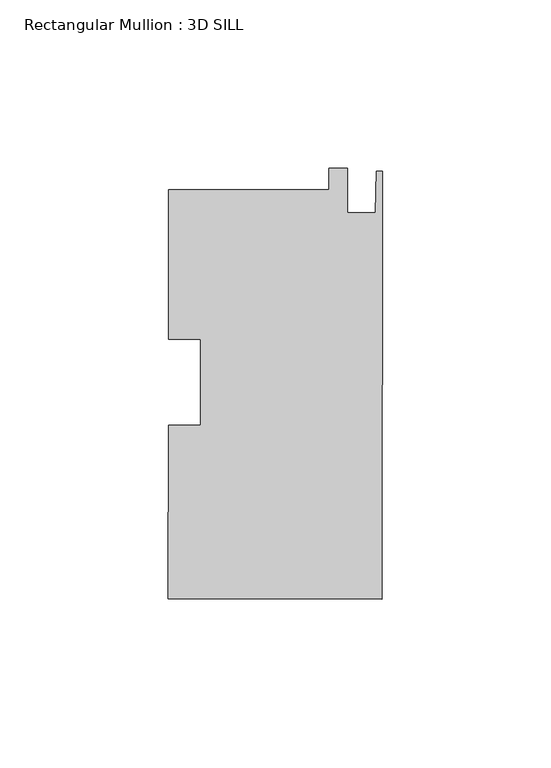
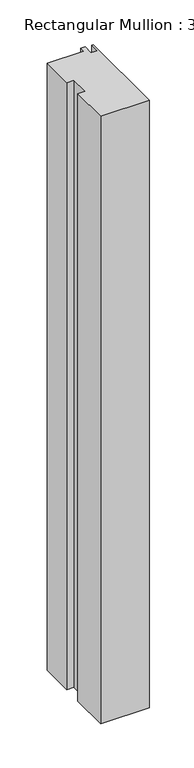
"""IFC4 building model written with IfcOpenShell, lengths in millimetres: member geometry, Rectangular Mullion : 3D SILL."""

from ifc_helpers import new_model, si_unit, frame, origin, place, context, project, spatial, polyline, outline, extrude, source, transform, mapped, element, save


def rectangular_mullion_3d_sill_9ac26796(model_context):
    return source(origin(), model_context, "Body", "SweptSolid", [
        extrude(outline(polyline([(-15.8785297, 57.0944487), (-15.8744967, 63.4444474), (-10.3118978, 63.4409144), (-10.3202382, 50.3091171), (-2.0398398, 50.303858), (-1.7779996, 62.6480942), (0.0, 62.6469649), (-0.0806567, -64.3465324), (-63.5806439, -64.306202), (-63.5479185, -12.7802285), (-54.0229204, -12.7862781), (-54.0067326, 12.7014151), (-63.5317306, 12.7074647), (-63.5035201, 57.1246965), (-15.8785297, 57.0944487)])), frame((0.0, 0.0, -838.2), z_axis=(0.0, 0.0, 1.0), x_axis=(1.0, 0.0, 0.0)), (0.0, 0.0, 1.0), 838.2),
    ])


if __name__ == "__main__":
    model = new_model("IFC4")
    model_context = context("Model", 3, world=origin())
    ifc_project = project(units=[si_unit("LENGTHUNIT", "METRE", prefix="MILLI")], contexts=[model_context])
    site = spatial("IfcSite", under=ifc_project)
    building = spatial("IfcBuilding", under=site)
    placement = place(None, origin())
    rectangular_mullion_3d_sill_shape = rectangular_mullion_3d_sill_9ac26796(model_context)
    element("IfcMember", 1, ObjectType="Rectangular Mullion : 3D SILL", at=placement, inside=building, context=model_context, shape_type="MappedRepresentation", body=[
        mapped(rectangular_mullion_3d_sill_shape, transform((0.0, 0.0, 0.0), x_axis=(1.0, 0.0, 0.0), y_axis=(0.0, 1.0, 0.0), z_axis=(0.0, 0.0, 1.0))),
    ])
    save(model, "model.ifc")
